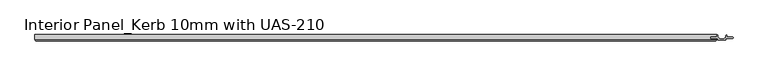
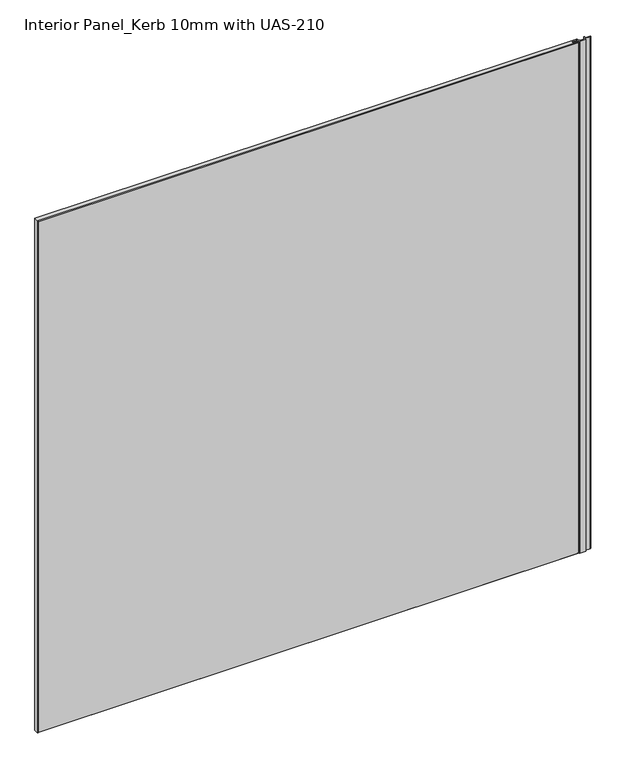
"""IFC4 building model written with IfcOpenShell, lengths in millimetres: proxy geometry, Interior Panel_Kerb 10mm with UAS-210."""

import ifcopenshell
import ifcopenshell.guid

model = None  # the IFC model being written
_history = None  # IfcOwnerHistory: only IFC2X3 demands one
_inside = {}  # id of a spatial element -> (the spatial element, [elements in it])
_under = {}  # id of a project, library or spatial element -> (it, [spatial elements below it])
_declared = {}  # id of a project -> (the project, [libraries it declares])
_typed = {}  # id of a type object -> (the type object, [elements of that type])
_made_of = {}  # id of a material, layer set ... -> (it, [elements and type objects made of it])


def new_model(schema):
    """Start an empty IFC model of exactly this schema.

    Asked for "IFC4X3", IfcOpenShell would pick the latest addendum, in which some entities
    have other attributes; the version numbers below select the first issue.
    IFC2X3 requires an IfcOwnerHistory on every rooted entity: one is made here for all.
    """
    global model, _history
    if schema == "IFC4X3":
        model = ifcopenshell.file(schema_version=(4, 3, 0, 0))
    else:
        model = ifcopenshell.file(schema=schema)
    _inside.clear()
    _under.clear()
    _declared.clear()
    _typed.clear()
    _made_of.clear()
    _history = None
    if model.schema == "IFC2X3":
        org = make("IfcOrganization", Name="unknown")
        user = make(
            "IfcPersonAndOrganization",
            ThePerson=make("IfcPerson", FamilyName="unknown"),
            TheOrganization=org,
        )
        app = make(
            "IfcApplication",
            ApplicationDeveloper=org,
            Version="unknown",
            ApplicationFullName="unknown",
            ApplicationIdentifier="unknown",
        )
        _history = make(
            "IfcOwnerHistory",
            OwningUser=user,
            OwningApplication=app,
            ChangeAction="ADDED",
            CreationDate=0,
        )
    return model


def make(cls, **values):
    """One entity of the class cls with the attributes given. An attribute that is None is left unset."""
    return model.create_entity(
        cls, **{name: value for name, value in values.items() if value is not None}
    )


def rooted(cls, **values):
    """An entity with a GlobalId (a new one), such as an element, a storey or a relation."""
    return make(cls, GlobalId=ifcopenshell.guid.new(), OwnerHistory=_history, **values)


def si_unit(unit_type, name, prefix=None):
    """IfcSIUnit, for example si_unit("LENGTHUNIT", "METRE", prefix="MILLI")."""
    return make("IfcSIUnit", UnitType=unit_type, Prefix=prefix, Name=name)


def assignment(units):
    """IfcUnitAssignment: the units of a project."""
    return None if units is None else make("IfcUnitAssignment", Units=units)


def point(xyz):
    """IfcCartesianPoint."""
    return None if xyz is None else make("IfcCartesianPoint", Coordinates=xyz)


def direction(xyz):
    """IfcDirection."""
    return None if xyz is None else make("IfcDirection", DirectionRatios=xyz)


def frame(location, z_axis=None, x_axis=None):
    """IfcAxis2Placement3D, a coordinate frame: its origin and axes. An axis left out is left unset."""
    return make(
        "IfcAxis2Placement3D",
        Location=point(location),
        Axis=direction(z_axis),
        RefDirection=direction(x_axis),
    )


def frame_2d(location, x_axis=None):
    """IfcAxis2Placement2D, a coordinate frame in the plane: its origin and x axis."""
    return make(
        "IfcAxis2Placement2D", Location=point(location), RefDirection=direction(x_axis)
    )


def origin():
    """The frame at (0, 0, 0) with its axes left unset."""
    return frame((0.0, 0.0, 0.0))


def origin_with_axes():
    """The frame at (0, 0, 0) with the z axis (0, 0, 1) and the x axis (1, 0, 0) written out."""
    return frame((0.0, 0.0, 0.0), z_axis=(0.0, 0.0, 1.0), x_axis=(1.0, 0.0, 0.0))


def place(relative_to, where):
    """IfcLocalPlacement: puts the frame where relative to a parent placement (None: the world)."""
    return make(
        "IfcLocalPlacement", PlacementRelTo=relative_to, RelativePlacement=where
    )


def context(
    kind, dimensions, precision=None, world=None, true_north=None, identifier=None
):
    """IfcGeometricRepresentationContext, for example the 3D "Model" context."""
    return make(
        "IfcGeometricRepresentationContext",
        ContextIdentifier=identifier,
        ContextType=kind,
        CoordinateSpaceDimension=dimensions,
        Precision=precision,
        WorldCoordinateSystem=world,
        TrueNorth=true_north,
    )


def project(units=None, contexts=None):
    """IfcProject with its units and contexts."""
    return rooted(
        "IfcProject",
        Name="project",
        RepresentationContexts=contexts,
        UnitsInContext=assignment(units),
    )


def spatial(cls, under=None, at=None, **own):
    """A site, building, storey or space (cls), placed at a placement, below another one or the project."""
    s = rooted(cls, ObjectPlacement=at, **own)
    if under is not None:
        _under.setdefault(under.id(), (under, []))[1].append(s)
    return s


def polyline(points):
    """IfcPolyline through the points."""
    return make("IfcPolyline", Points=[point(p) for p in points])


def circle_curve(where, radius):
    """IfcCircle in the frame where."""
    return make("IfcCircle", Position=where, Radius=radius)


def trimmed(basis, trim1, trim2, sense, master):
    """IfcTrimmedCurve: the piece of a basis curve between two trims."""
    return make(
        "IfcTrimmedCurve",
        BasisCurve=basis,
        Trim1=trim1,
        Trim2=trim2,
        SenseAgreement=sense,
        MasterRepresentation=master,
    )


def segment(curve, same_sense, transition):
    """IfcCompositeCurveSegment."""
    return make(
        "IfcCompositeCurveSegment",
        Transition=transition,
        SameSense=same_sense,
        ParentCurve=curve,
    )


def composite_curve(segments, self_intersect=None):
    """IfcCompositeCurve: segments joined end to end."""
    return make("IfcCompositeCurve", Segments=segments, SelfIntersect=self_intersect)


def outline(outer, holes=None, kind="AREA"):
    """IfcArbitraryClosedProfileDef: a profile drawn as a closed curve; with holes, ...WithVoids."""
    if holes is None:
        return make("IfcArbitraryClosedProfileDef", ProfileType=kind, OuterCurve=outer)
    return make(
        "IfcArbitraryProfileDefWithVoids",
        ProfileType=kind,
        OuterCurve=outer,
        InnerCurves=holes,
    )


def extrude(swept, where, along, depth):
    """IfcExtrudedAreaSolid: the profile swept, set in the frame where, extruded along a direction by depth."""
    return make(
        "IfcExtrudedAreaSolid",
        SweptArea=swept,
        Position=where,
        ExtrudedDirection=direction(along),
        Depth=depth,
    )


def faces_of(points, faces, orient=None, outer=None):
    """IfcFace entities. A face is a list of loops; a loop is a list of indices into points, from 0.

    orient and outer hold one flag for each loop. By default every Orientation is true, the
    first loop of a face is its IfcFaceOuterBound and the others are IfcFaceBound.
    """
    made = []
    for i, loops in enumerate(faces):
        bounds = []
        for j, loop in enumerate(loops):
            is_outer = j == 0 if outer is None else outer[i][j]
            bounds.append(
                make(
                    "IfcFaceOuterBound" if is_outer else "IfcFaceBound",
                    Bound=make("IfcPolyLoop", Polygon=[points[k] for k in loop]),
                    Orientation=True if orient is None else orient[i][j],
                )
            )
        made.append(make("IfcFace", Bounds=bounds))
    return made


def faceted_brep(points, faces, orient=None, outer=None, voids=None):
    """IfcFacetedBrep: a solid bounded by flat faces; with voids (closed shells), ...WithVoids."""
    shared = [point(p) for p in points]
    hull = make("IfcClosedShell", CfsFaces=faces_of(shared, faces, orient, outer))
    if voids is None:
        return make("IfcFacetedBrep", Outer=hull)
    return make(
        "IfcFacetedBrepWithVoids",
        Outer=hull,
        Voids=[
            make(cls, CfsFaces=faces_of(shared, fs, o, b)) for cls, fs, o, b in voids
        ],
    )


def shape(context_of_items, identifier, shape_type, items):
    """IfcShapeRepresentation: the items that make up one representation, for example the "Body"."""
    return make(
        "IfcShapeRepresentation",
        ContextOfItems=context_of_items,
        RepresentationIdentifier=identifier,
        RepresentationType=shape_type,
        Items=items,
    )


def source(mapping_origin, context_of_items, identifier, shape_type, items):
    """IfcRepresentationMap: a shape defined once, which mapped items show again and again."""
    return make(
        "IfcRepresentationMap",
        MappingOrigin=mapping_origin,
        MappedRepresentation=shape(context_of_items, identifier, shape_type, items),
    )


def transform(
    local_origin,
    x_axis=None,
    y_axis=None,
    z_axis=None,
    scale=None,
    scale2=None,
    scale3=None,
    uniform=True,
):
    """IfcCartesianTransformationOperator3D, or its non-uniform kind. x_axis, y_axis, z_axis: its Axis1, 2, 3."""
    if uniform:
        return make(
            "IfcCartesianTransformationOperator3D",
            Axis1=direction(x_axis),
            Axis2=direction(y_axis),
            LocalOrigin=point(local_origin),
            Scale=scale,
            Axis3=direction(z_axis),
        )
    return make(
        "IfcCartesianTransformationOperator3DnonUniform",
        Axis1=direction(x_axis),
        Axis2=direction(y_axis),
        LocalOrigin=point(local_origin),
        Scale=scale,
        Axis3=direction(z_axis),
        Scale2=scale2,
        Scale3=scale3,
    )


def mapped(mapping_source, mapping_target):
    """IfcMappedItem: shows the shape of a source again, moved by a transform."""
    return make(
        "IfcMappedItem", MappingSource=mapping_source, MappingTarget=mapping_target
    )


def made_of(thing, what):
    """Note that an element or type object is made of a material, layer set ...; save() writes the relation."""
    if what is not None:
        _made_of.setdefault(what.id(), (what, []))[1].append(thing)
    return thing


def element(
    cls,
    number,
    at=None,
    inside=None,
    cuts=None,
    type_object=None,
    material=None,
    context=None,
    identifier="Body",
    shape_type=None,
    held_by="IfcProductDefinitionShape",
    body=None,
    shapes=None,
    **own,
):
    """One element of the class cls, such as IfcWall. Its Tag is "e" and its number.

    at: its placement. inside: the storey or other place that contains it. cuts: it is an
    opening in that element (IfcRelVoidsElement). A single representation is given by context,
    identifier, shape_type and body (its items); several are given by shapes. held_by: the class
    of the entity that holds the representations. save() writes the other relations.
    """
    e = rooted(cls, Tag="e%d" % number, ObjectPlacement=at, **own)
    if body is not None:
        shapes = [shape(context, identifier, shape_type, body)]
    if shapes is not None:
        e.Representation = make(held_by, Representations=shapes)
    if inside is not None:
        _inside.setdefault(inside.id(), (inside, []))[1].append(e)
    if cuts is not None:
        rooted(
            "IfcRelVoidsElement", RelatingBuildingElement=cuts, RelatedOpeningElement=e
        )
    if type_object is not None:
        _typed.setdefault(type_object.id(), (type_object, []))[1].append(e)
    return made_of(e, material)


def aggregate(whole, parts):
    """IfcRelAggregates: a whole, such as a stair, and the parts it consists of."""
    return rooted("IfcRelAggregates", RelatingObject=whole, RelatedObjects=parts)


def save(model, path):
    """Write the relations noted so far, then the file.

    IfcRelAggregates (storeys below a building ...), IfcRelContainedInSpatialStructure (elements
    in a storey), IfcRelDefinesByType, IfcRelAssociatesMaterial and IfcRelDeclares: one each for
    every whole, place, type object, material and project.
    """
    for whole, parts in _under.values():
        aggregate(whole, parts)
    for where, things in _inside.values():
        rooted(
            "IfcRelContainedInSpatialStructure",
            RelatedElements=things,
            RelatingStructure=where,
        )
    for kind, things in _typed.values():
        rooted("IfcRelDefinesByType", RelatedObjects=things, RelatingType=kind)
    for what, things in _made_of.values():
        rooted("IfcRelAssociatesMaterial", RelatedObjects=things, RelatingMaterial=what)
    for by, libraries in _declared.values():
        rooted("IfcRelDeclares", RelatingContext=by, RelatedDefinitions=libraries)
    model.write(path)


def interior_panel_kerb_10mm_with_uas_210_623082c8(model_context):
    return source(origin(), model_context, "Body", "SolidModel", [
        extrude(outline(composite_curve([segment(trimmed(circle_curve(frame_2d((700.88125, 1.6462921)), 0.79375), [point((700.0875, 1.6462921))], [point((701.675, 1.6462921))], False, "CARTESIAN"), True, "CONTINUOUS"), segment(polyline([(701.675, 1.6462921), (701.675, -0.5207), (710.3999, -0.5207)]), True, "CONTINUOUS"), segment(trimmed(circle_curve(frame_2d((710.070929, -1.5875)), 1.116371), [point((710.3999, -0.5207))], [point((710.3999, -2.6543))], False, "CARTESIAN"), True, "CONTINUOUS"), segment(polyline([(710.3999, -2.6543), (700.0875, -2.6543), (700.0875, -4.7770647)]), True, "CONTINUOUS"), segment(trimmed(circle_curve(frame_2d((699.4827795, -4.7770647)), 0.6047205), [point((700.0875, -4.7770647))], [point((699.4827795, -5.3817852))], False, "CARTESIAN"), True, "CONTINUOUS"), segment(polyline([(699.4827795, -5.3817852), (687.9922205, -5.3817852)]), True, "CONTINUOUS"), segment(trimmed(circle_curve(frame_2d((687.9922205, -4.7770647)), 0.6047205), [point((687.9922205, -5.3817852))], [point((687.3875, -4.7770647))], False, "CARTESIAN"), True, "CONTINUOUS"), segment(polyline([(687.3875, -4.7770647), (687.3875, -2.6543), (677.0751, -2.6543)]), True, "CONTINUOUS"), segment(trimmed(circle_curve(frame_2d((677.404071, -1.5875)), 1.116371), [point((677.0751, -2.6543))], [point((677.0751, -0.5207))], False, "CARTESIAN"), True, "CONTINUOUS"), segment(polyline([(677.0751, -0.5207), (685.8, -0.5207), (685.8, 1.6462921)]), True, "CONTINUOUS"), segment(trimmed(circle_curve(frame_2d((686.59375, 1.6462921)), 0.79375), [point((685.8, 1.6462921))], [point((687.3875, 1.6462921))], False, "CARTESIAN"), True, "CONTINUOUS"), segment(polyline([(687.3875, 1.6462921), (687.3875, 0.3263323)]), True, "CONTINUOUS"), segment(trimmed(circle_curve(frame_2d((693.7375, 3.1587975)), 6.9530827), [point((687.3875, 0.3263323))], [point((700.0875, 0.3263323))], True, "CARTESIAN"), True, "CONTINUOUS"), segment(polyline([(700.0875, 0.3263323), (700.0875, 1.6462921)]), True, "CONTINUOUS")], self_intersect=False)), origin_with_axes(), (0.0, 0.0, 1.0), 1063.625),
        faceted_brep([(685.8, 3.175, 1063.625), (-377.825, 3.175, 1063.625), (-377.825, -4.7625, 1063.625), (685.8, -4.7625, 1063.625), (685.8, -2.6543, 1063.625), (675.9773438, -2.6543, 1063.625), (675.9773438, -0.5207, 1063.625), (685.8, -0.5207, 1063.625), (685.8, 3.175, 0.0), (685.8, -0.5207, 0.0), (675.9773438, -0.5207, 0.0), (675.9773438, -2.6543, 0.0), (685.8, -2.6543, 0.0), (685.8, -4.7625, 0.0), (-377.825, -4.7625, 0.0), (-377.825, 3.175, 0.0), (-376.2375, -6.35, 1062.0375), (-376.2375, -6.35, 1.5875), (684.2125, -6.35, 1.5875), (684.2125, -6.35, 1062.0375)], [[[0, 1, 2, 3, 4, 5, 6, 7]], [[8, 9, 10, 11, 12, 13, 14, 15]], [[1, 0, 8, 15]], [[2, 1, 15, 14]], [[16, 17, 18, 19]], [[4, 3, 13, 12]], [[2, 14, 17, 16]], [[13, 3, 19, 18]], [[3, 2, 16, 19]], [[14, 13, 18, 17]], [[5, 4, 12, 11]], [[6, 5, 11, 10]], [[7, 6, 10, 9]], [[0, 7, 9, 8]]]),
    ])


if __name__ == "__main__":
    model = new_model("IFC4")
    model_context = context("Model", 3, world=origin())
    ifc_project = project(units=[si_unit("LENGTHUNIT", "METRE", prefix="MILLI")], contexts=[model_context])
    site = spatial("IfcSite", under=ifc_project)
    building = spatial("IfcBuilding", under=site)
    placement = place(None, origin())
    interior_panel_kerb_10mm_with_uas_210_shape = interior_panel_kerb_10mm_with_uas_210_623082c8(model_context)
    element("IfcBuildingElementProxy", 1, Name="Interior Panel_Kerb 10mm with UAS-210", ObjectType="Interior Panel_Kerb 10mm with UAS-210", at=placement, inside=building, context=model_context, shape_type="MappedRepresentation", body=[
        mapped(interior_panel_kerb_10mm_with_uas_210_shape, transform((0.0, 0.0, 0.0), x_axis=(1.0, 0.0, 0.0), y_axis=(0.0, 1.0, 0.0), z_axis=(0.0, 0.0, 1.0))),
    ])
    save(model, "model.ifc")
